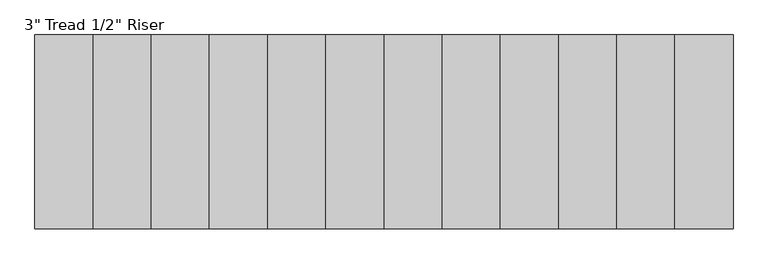
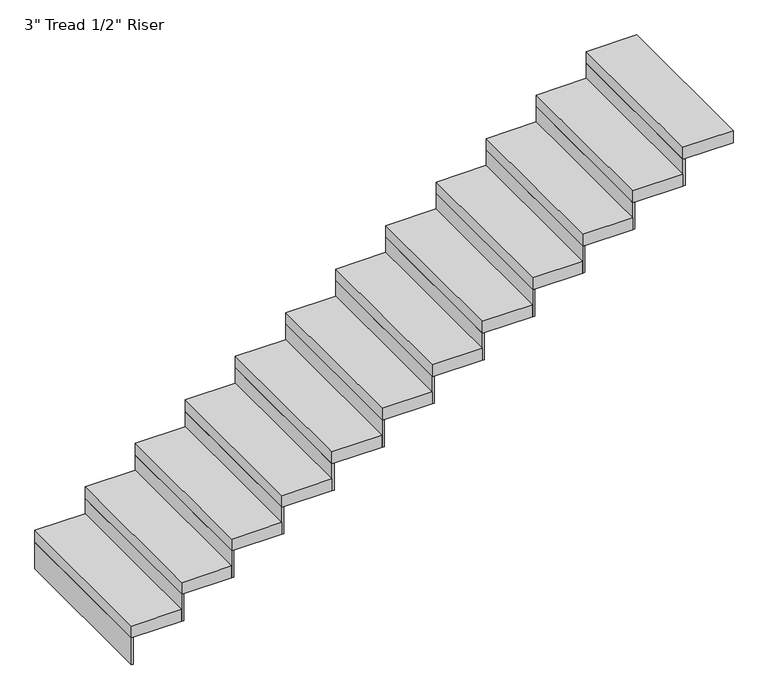
"""IFC4 building model written with IfcOpenShell, lengths in millimetres: stair flight geometry."""

from ifc_helpers import new_model, si_unit, frame, origin, place, context, project, spatial, polyline, outline, extrude, source, transform, mapped, element, save


def stair_flight_702adab5(model_context):
    return source(origin(), model_context, "Body", "SweptSolid", [
        extrude(outline(polyline([(-283642.9948094, 173189.0920048), (-283642.9948094, 172173.0920048), (-283947.7948094, 172173.0920048), (-283947.7948094, 173189.0920048), (-283642.9948094, 173189.0920048)])), frame((0.0, 0.0, -2843.5904762), z_axis=(0.0, 0.0, 1.0), x_axis=(1.0, 0.0, 0.0)), (0.0, 0.0, 1.0), 76.2),
        extrude(outline(polyline([(-283935.0948094, 172173.0920048), (-283947.7948094, 172173.0920048), (-283947.7948094, 173189.0920048), (-283935.0948094, 173189.0920048), (-283935.0948094, 172173.0920048)])), frame((0.0, 0.0, -3016.552381), z_axis=(0.0, 0.0, 1.0), x_axis=(1.0, 0.0, 0.0)), (0.0, 0.0, 1.0), 172.9619048),
        extrude(outline(polyline([(-283630.2948094, 172173.0920048), (-283642.9948094, 172173.0920048), (-283642.9948094, 173189.0920048), (-283630.2948094, 173189.0920048), (-283630.2948094, 172173.0920048)])), frame((0.0, 0.0, -2843.5904762), z_axis=(0.0, 0.0, 1.0), x_axis=(1.0, 0.0, 0.0)), (0.0, 0.0, 1.0), 172.9619048),
        extrude(outline(polyline([(-283338.1948094, 173189.0920048), (-283338.1948094, 172173.0920048), (-283642.9948094, 172173.0920048), (-283642.9948094, 173189.0920048), (-283338.1948094, 173189.0920048)])), frame((0.0, 0.0, -2670.6285714), z_axis=(0.0, 0.0, 1.0), x_axis=(1.0, 0.0, 0.0)), (0.0, 0.0, 1.0), 76.2),
        extrude(outline(polyline([(-283325.4948094, 172173.0920048), (-283338.1948094, 172173.0920048), (-283338.1948094, 173189.0920048), (-283325.4948094, 173189.0920048), (-283325.4948094, 172173.0920048)])), frame((0.0, 0.0, -2670.6285714), z_axis=(0.0, 0.0, 1.0), x_axis=(1.0, 0.0, 0.0)), (0.0, 0.0, 1.0), 172.9619048),
        extrude(outline(polyline([(-283033.3948094, 173189.0920048), (-283033.3948094, 172173.0920048), (-283338.1948094, 172173.0920048), (-283338.1948094, 173189.0920048), (-283033.3948094, 173189.0920048)])), frame((0.0, 0.0, -2497.6666667), z_axis=(0.0, 0.0, 1.0), x_axis=(1.0, 0.0, 0.0)), (0.0, 0.0, 1.0), 76.2),
        extrude(outline(polyline([(-283020.6948094, 172173.0920048), (-283033.3948094, 172173.0920048), (-283033.3948094, 173189.0920048), (-283020.6948094, 173189.0920048), (-283020.6948094, 172173.0920048)])), frame((0.0, 0.0, -2497.6666667), z_axis=(0.0, 0.0, 1.0), x_axis=(1.0, 0.0, 0.0)), (0.0, 0.0, 1.0), 172.9619048),
        extrude(outline(polyline([(-282728.5948094, 173189.0920048), (-282728.5948094, 172173.0920048), (-283033.3948094, 172173.0920048), (-283033.3948094, 173189.0920048), (-282728.5948094, 173189.0920048)])), frame((0.0, 0.0, -2324.7047619), z_axis=(0.0, 0.0, 1.0), x_axis=(1.0, 0.0, 0.0)), (0.0, 0.0, 1.0), 76.2),
        extrude(outline(polyline([(-282715.8948094, 172173.0920048), (-282728.5948094, 172173.0920048), (-282728.5948094, 173189.0920048), (-282715.8948094, 173189.0920048), (-282715.8948094, 172173.0920048)])), frame((0.0, 0.0, -2324.7047619), z_axis=(0.0, 0.0, 1.0), x_axis=(1.0, 0.0, 0.0)), (0.0, 0.0, 1.0), 172.9619048),
        extrude(outline(polyline([(-282423.7948094, 173189.0920048), (-282423.7948094, 172173.0920048), (-282728.5948094, 172173.0920048), (-282728.5948094, 173189.0920048), (-282423.7948094, 173189.0920048)])), frame((0.0, 0.0, -2151.7428571), z_axis=(0.0, 0.0, 1.0), x_axis=(1.0, 0.0, 0.0)), (0.0, 0.0, 1.0), 76.2),
        extrude(outline(polyline([(-282411.0948094, 172173.0920048), (-282423.7948094, 172173.0920048), (-282423.7948094, 173189.0920048), (-282411.0948094, 173189.0920048), (-282411.0948094, 172173.0920048)])), frame((0.0, 0.0, -2151.7428571), z_axis=(0.0, 0.0, 1.0), x_axis=(1.0, 0.0, 0.0)), (0.0, 0.0, 1.0), 172.9619048),
        extrude(outline(polyline([(-282118.9948094, 173189.0920048), (-282118.9948094, 172173.0920048), (-282423.7948094, 172173.0920048), (-282423.7948094, 173189.0920048), (-282118.9948094, 173189.0920048)])), frame((0.0, 0.0, -1978.7809524), z_axis=(0.0, 0.0, 1.0), x_axis=(1.0, 0.0, 0.0)), (0.0, 0.0, 1.0), 76.2),
        extrude(outline(polyline([(-282106.2948094, 172173.0920048), (-282118.9948094, 172173.0920048), (-282118.9948094, 173189.0920048), (-282106.2948094, 173189.0920048), (-282106.2948094, 172173.0920048)])), frame((0.0, 0.0, -1978.7809524), z_axis=(0.0, 0.0, 1.0), x_axis=(1.0, 0.0, 0.0)), (0.0, 0.0, 1.0), 172.9619048),
        extrude(outline(polyline([(-281814.1948094, 173189.0920048), (-281814.1948094, 172173.0920048), (-282118.9948094, 172173.0920048), (-282118.9948094, 173189.0920048), (-281814.1948094, 173189.0920048)])), frame((0.0, 0.0, -1805.8190476), z_axis=(0.0, 0.0, 1.0), x_axis=(1.0, 0.0, 0.0)), (0.0, 0.0, 1.0), 76.2),
        extrude(outline(polyline([(-281801.4948094, 172173.0920048), (-281814.1948094, 172173.0920048), (-281814.1948094, 173189.0920048), (-281801.4948094, 173189.0920048), (-281801.4948094, 172173.0920048)])), frame((0.0, 0.0, -1805.8190476), z_axis=(0.0, 0.0, 1.0), x_axis=(1.0, 0.0, 0.0)), (0.0, 0.0, 1.0), 172.9619048),
        extrude(outline(polyline([(-281509.3948094, 173189.0920048), (-281509.3948094, 172173.0920048), (-281814.1948094, 172173.0920048), (-281814.1948094, 173189.0920048), (-281509.3948094, 173189.0920048)])), frame((0.0, 0.0, -1632.8571429), z_axis=(0.0, 0.0, 1.0), x_axis=(1.0, 0.0, 0.0)), (0.0, 0.0, 1.0), 76.2),
        extrude(outline(polyline([(-281496.6948094, 172173.0920048), (-281509.3948094, 172173.0920048), (-281509.3948094, 173189.0920048), (-281496.6948094, 173189.0920048), (-281496.6948094, 172173.0920048)])), frame((0.0, 0.0, -1632.8571429), z_axis=(0.0, 0.0, 1.0), x_axis=(1.0, 0.0, 0.0)), (0.0, 0.0, 1.0), 172.9619048),
        extrude(outline(polyline([(-281204.5948094, 173189.0920048), (-281204.5948094, 172173.0920048), (-281509.3948094, 172173.0920048), (-281509.3948094, 173189.0920048), (-281204.5948094, 173189.0920048)])), frame((0.0, 0.0, -1459.8952381), z_axis=(0.0, 0.0, 1.0), x_axis=(1.0, 0.0, 0.0)), (0.0, 0.0, 1.0), 76.2),
        extrude(outline(polyline([(-281191.8948094, 172173.0920048), (-281204.5948094, 172173.0920048), (-281204.5948094, 173189.0920048), (-281191.8948094, 173189.0920048), (-281191.8948094, 172173.0920048)])), frame((0.0, 0.0, -1459.8952381), z_axis=(0.0, 0.0, 1.0), x_axis=(1.0, 0.0, 0.0)), (0.0, 0.0, 1.0), 172.9619048),
        extrude(outline(polyline([(-280899.7948094, 173189.0920048), (-280899.7948094, 172173.0920048), (-281204.5948094, 172173.0920048), (-281204.5948094, 173189.0920048), (-280899.7948094, 173189.0920048)])), frame((0.0, 0.0, -1286.9333333), z_axis=(0.0, 0.0, 1.0), x_axis=(1.0, 0.0, 0.0)), (0.0, 0.0, 1.0), 76.2),
        extrude(outline(polyline([(-280887.0948094, 172173.0920048), (-280899.7948094, 172173.0920048), (-280899.7948094, 173189.0920048), (-280887.0948094, 173189.0920048), (-280887.0948094, 172173.0920048)])), frame((0.0, 0.0, -1286.9333333), z_axis=(0.0, 0.0, 1.0), x_axis=(1.0, 0.0, 0.0)), (0.0, 0.0, 1.0), 172.9619048),
        extrude(outline(polyline([(-280594.9948094, 173189.0920048), (-280594.9948094, 172173.0920048), (-280899.7948094, 172173.0920048), (-280899.7948094, 173189.0920048), (-280594.9948094, 173189.0920048)])), frame((0.0, 0.0, -1113.9714286), z_axis=(0.0, 0.0, 1.0), x_axis=(1.0, 0.0, 0.0)), (0.0, 0.0, 1.0), 76.2),
        extrude(outline(polyline([(-280582.2948094, 172173.0920048), (-280594.9948094, 172173.0920048), (-280594.9948094, 173189.0920048), (-280582.2948094, 173189.0920048), (-280582.2948094, 172173.0920048)])), frame((0.0, 0.0, -1113.9714286), z_axis=(0.0, 0.0, 1.0), x_axis=(1.0, 0.0, 0.0)), (0.0, 0.0, 1.0), 172.9619048),
        extrude(outline(polyline([(-280290.1948094, 173189.0920048), (-280290.1948094, 172173.0920048), (-280594.9948094, 172173.0920048), (-280594.9948094, 173189.0920048), (-280290.1948094, 173189.0920048)])), frame((0.0, 0.0, -941.0095238), z_axis=(0.0, 0.0, 1.0), x_axis=(1.0, 0.0, 0.0)), (0.0, 0.0, 1.0), 76.2),
    ])


if __name__ == "__main__":
    model = new_model("IFC4")
    model_context = context("Model", 3, world=origin())
    ifc_project = project(units=[si_unit("LENGTHUNIT", "METRE", prefix="MILLI")], contexts=[model_context])
    site = spatial("IfcSite", under=ifc_project)
    building = spatial("IfcBuilding", under=site)
    placement = place(None, origin())
    stair_flight_shape = stair_flight_702adab5(model_context)
    element("IfcStairFlight", 1, ObjectType="3\" Tread 1/2\" Riser", at=placement, inside=building, context=model_context, shape_type="MappedRepresentation", body=[
        mapped(stair_flight_shape, transform((0.0, 0.0, 0.0), x_axis=(1.0, 0.0, 0.0), y_axis=(0.0, 1.0, 0.0), z_axis=(0.0, 0.0, 1.0))),
    ])
    save(model, "model.ifc")
